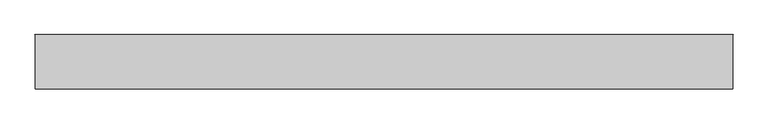
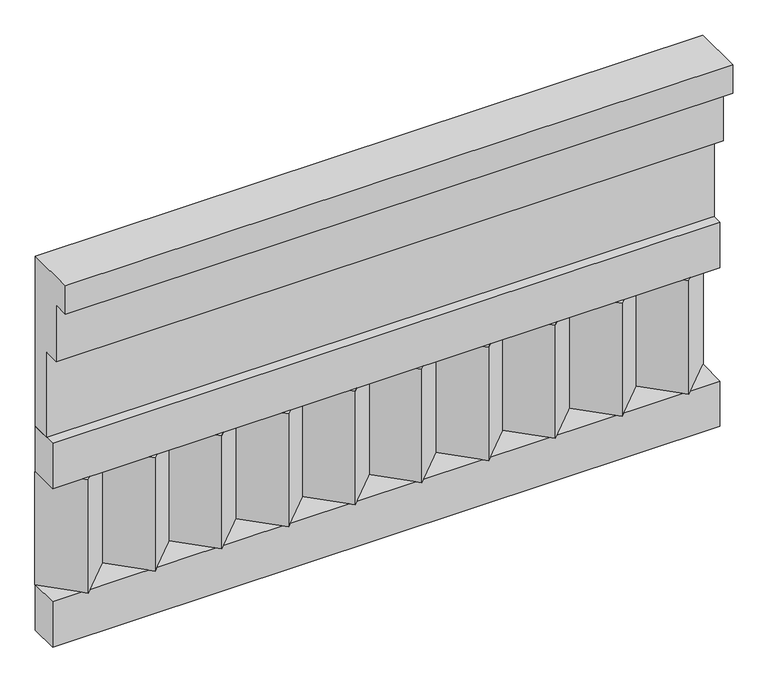
"""IFC4 building model written with IfcOpenShell, lengths in millimetres: railing geometry."""

from ifc_helpers import new_model, si_unit, frame, origin, place, context, project, spatial, polyline, outline, extrude, source, transform, mapped, element, save


def railing_a05c512d(model_context):
    return source(origin(), model_context, "Body", "SweptSolid", [
        extrude(outline(polyline([(-16816.8920513, 21800.0), (-16816.8920513, 21350.0), (-16866.8920513, 21350.0), (-16866.8920513, 21575.0), (-16906.8920513, 21575.0), (-16906.8920513, 21725.0), (-16946.8920513, 21725.0), (-16946.8920513, 21800.0), (-16816.8920513, 21800.0)])), frame((22660.0112841, 0.0, 0.0), z_axis=(1.0, 0.0, 0.0), x_axis=(0.0, 1.0, 0.0)), (0.0, 0.0, 1.0), 1670.0),
        extrude(outline(polyline([(22660.0112841, -16891.8920513), (22660.0112841, -16816.8920513), (24330.0112841, -16816.8920513), (24330.0112841, -16891.8920513), (22660.0112841, -16891.8920513)])), frame((0.0, 0.0, 21230.0), z_axis=(0.0, 0.0, 1.0), x_axis=(1.0, 0.0, 0.0)), (0.0, 0.0, 1.0), 120.0),
        extrude(outline(polyline([(22660.0112841, -16891.8920513), (22660.0112841, -16816.8920513), (24330.0112841, -16816.8920513), (24330.0112841, -16891.8920513), (22660.0112841, -16891.8920513)])), frame((0.0, 0.0, 20810.0), z_axis=(0.0, 0.0, 1.0), x_axis=(1.0, 0.0, 0.0)), (0.0, 0.0, 1.0), 120.0),
        extrude(outline(polyline([(24246.5112841, -16901.7448651), (24161.6584704, -16816.8920513), (24331.3640978, -16816.8920513), (24246.5112841, -16901.7448651)])), frame((0.0, 0.0, 20930.0), z_axis=(0.0, 0.0, 1.0), x_axis=(1.0, 0.0, 0.0)), (0.0, 0.0, 1.0), 300.0),
        extrude(outline(polyline([(24079.5112841, -16901.7448651), (23994.6584704, -16816.8920513), (24164.3640978, -16816.8920513), (24079.5112841, -16901.7448651)])), frame((0.0, 0.0, 20930.0), z_axis=(0.0, 0.0, 1.0), x_axis=(1.0, 0.0, 0.0)), (0.0, 0.0, 1.0), 300.0),
        extrude(outline(polyline([(23912.5112841, -16901.7448651), (23827.6584704, -16816.8920513), (23997.3640978, -16816.8920513), (23912.5112841, -16901.7448651)])), frame((0.0, 0.0, 20930.0), z_axis=(0.0, 0.0, 1.0), x_axis=(1.0, 0.0, 0.0)), (0.0, 0.0, 1.0), 300.0),
        extrude(outline(polyline([(23745.5112841, -16901.7448651), (23660.6584704, -16816.8920513), (23830.3640978, -16816.8920513), (23745.5112841, -16901.7448651)])), frame((0.0, 0.0, 20930.0), z_axis=(0.0, 0.0, 1.0), x_axis=(1.0, 0.0, 0.0)), (0.0, 0.0, 1.0), 300.0),
        extrude(outline(polyline([(23578.5112841, -16901.7448651), (23493.6584704, -16816.8920513), (23663.3640978, -16816.8920513), (23578.5112841, -16901.7448651)])), frame((0.0, 0.0, 20930.0), z_axis=(0.0, 0.0, 1.0), x_axis=(1.0, 0.0, 0.0)), (0.0, 0.0, 1.0), 300.0),
        extrude(outline(polyline([(23411.5112841, -16901.7448651), (23326.6584704, -16816.8920513), (23496.3640978, -16816.8920513), (23411.5112841, -16901.7448651)])), frame((0.0, 0.0, 20930.0), z_axis=(0.0, 0.0, 1.0), x_axis=(1.0, 0.0, 0.0)), (0.0, 0.0, 1.0), 300.0),
        extrude(outline(polyline([(23244.5112841, -16901.7448651), (23159.6584704, -16816.8920513), (23329.3640978, -16816.8920513), (23244.5112841, -16901.7448651)])), frame((0.0, 0.0, 20930.0), z_axis=(0.0, 0.0, 1.0), x_axis=(1.0, 0.0, 0.0)), (0.0, 0.0, 1.0), 300.0),
        extrude(outline(polyline([(23077.5112841, -16901.7448651), (22992.6584704, -16816.8920513), (23162.3640978, -16816.8920513), (23077.5112841, -16901.7448651)])), frame((0.0, 0.0, 20930.0), z_axis=(0.0, 0.0, 1.0), x_axis=(1.0, 0.0, 0.0)), (0.0, 0.0, 1.0), 300.0),
        extrude(outline(polyline([(22910.5112841, -16901.7448651), (22825.6584704, -16816.8920513), (22995.3640978, -16816.8920513), (22910.5112841, -16901.7448651)])), frame((0.0, 0.0, 20930.0), z_axis=(0.0, 0.0, 1.0), x_axis=(1.0, 0.0, 0.0)), (0.0, 0.0, 1.0), 300.0),
        extrude(outline(polyline([(22743.5112841, -16901.7448651), (22658.6584704, -16816.8920513), (22828.3640978, -16816.8920513), (22743.5112841, -16901.7448651)])), frame((0.0, 0.0, 20930.0), z_axis=(0.0, 0.0, 1.0), x_axis=(1.0, 0.0, 0.0)), (0.0, 0.0, 1.0), 300.0),
    ])


if __name__ == "__main__":
    model = new_model("IFC4")
    model_context = context("Model", 3, world=origin())
    ifc_project = project(units=[si_unit("LENGTHUNIT", "METRE", prefix="MILLI")], contexts=[model_context])
    site = spatial("IfcSite", under=ifc_project)
    building = spatial("IfcBuilding", under=site)
    placement = place(None, origin())
    railing_shape = railing_a05c512d(model_context)
    element("IfcRailing", 1, at=placement, inside=building, context=model_context, shape_type="MappedRepresentation", body=[
        mapped(railing_shape, transform((0.0, 0.0, 0.0), x_axis=(1.0, 0.0, 0.0), y_axis=(0.0, 1.0, 0.0), z_axis=(0.0, 0.0, 1.0))),
    ])
    save(model, "model.ifc")
